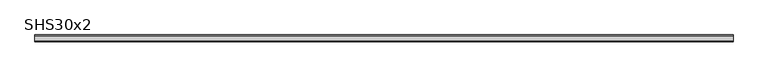
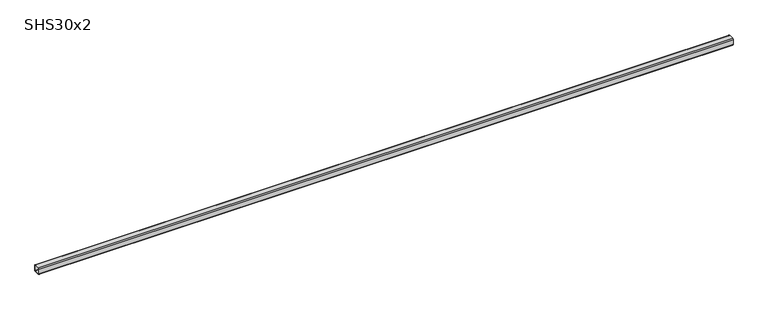
"""IFC4 building model written with IfcOpenShell, lengths in millimetres: beam geometry, SHS30x2."""

from ifc_helpers import new_model, si_unit, point, frame, frame_2d, origin, place, context, project, spatial, polyline, circle_curve, trimmed, segment, composite_curve, outline, extrude, source, transform, mapped, element, save


def shs30x2_30f5b065(model_context):
    return source(origin(), model_context, "Body", "SweptSolid", [
        extrude(outline(composite_curve([segment(polyline([(15.0, 11.0), (15.0, -11.0)]), True, "CONTINUOUS"), segment(trimmed(circle_curve(frame_2d((11.0, -11.0)), 4.0), [point((15.0, -11.0))], [point((11.0, -15.0))], False, "CARTESIAN"), True, "CONTINUOUS"), segment(polyline([(11.0, -15.0), (-11.0, -15.0)]), True, "CONTINUOUS"), segment(trimmed(circle_curve(frame_2d((-11.0, -11.0)), 4.0), [point((-11.0, -15.0))], [point((-15.0, -11.0))], False, "CARTESIAN"), True, "CONTINUOUS"), segment(polyline([(-15.0, -11.0), (-15.0, 11.0)]), True, "CONTINUOUS"), segment(trimmed(circle_curve(frame_2d((-11.0, 11.0)), 4.0), [point((-15.0, 11.0))], [point((-11.0, 15.0))], False, "CARTESIAN"), True, "CONTINUOUS"), segment(polyline([(-11.0, 15.0), (11.0, 15.0)]), True, "CONTINUOUS"), segment(trimmed(circle_curve(frame_2d((11.0, 11.0)), 4.0), [point((11.0, 15.0))], [point((15.0, 11.0))], False, "CARTESIAN"), True, "CONTINUOUS")], self_intersect=False), holes=[composite_curve([segment(trimmed(circle_curve(frame_2d((-11.0, 11.0)), 2.0), [point((-11.0, 13.0))], [point((-13.0, 11.0))], True, "CARTESIAN"), True, "CONTINUOUS"), segment(polyline([(-13.0, 11.0), (-13.0, -11.0)]), True, "CONTINUOUS"), segment(trimmed(circle_curve(frame_2d((-11.0, -11.0)), 2.0), [point((-13.0, -11.0))], [point((-11.0, -13.0))], True, "CARTESIAN"), True, "CONTINUOUS"), segment(polyline([(-11.0, -13.0), (11.0, -13.0)]), True, "CONTINUOUS"), segment(trimmed(circle_curve(frame_2d((11.0, -11.0)), 2.0), [point((11.0, -13.0))], [point((13.0, -11.0))], True, "CARTESIAN"), True, "CONTINUOUS"), segment(polyline([(13.0, -11.0), (13.0, 11.0)]), True, "CONTINUOUS"), segment(trimmed(circle_curve(frame_2d((11.0, 11.0)), 2.0), [point((13.0, 11.0))], [point((11.0, 13.0))], True, "CARTESIAN"), True, "CONTINUOUS"), segment(polyline([(11.0, 13.0), (-11.0, 13.0)]), True, "CONTINUOUS")], self_intersect=False)]), frame((-1493.5, 0.0, 0.0), z_axis=(1.0, 0.0, 0.0), x_axis=(0.0, 1.0, 0.0)), (0.0, 0.0, 1.0), 3021.0),
    ])


if __name__ == "__main__":
    model = new_model("IFC4")
    model_context = context("Model", 3, world=origin())
    ifc_project = project(units=[si_unit("LENGTHUNIT", "METRE", prefix="MILLI")], contexts=[model_context])
    site = spatial("IfcSite", under=ifc_project)
    building = spatial("IfcBuilding", under=site)
    placement = place(None, origin())
    shs30x2_shape = shs30x2_30f5b065(model_context)
    element("IfcBeam", 1, ObjectType="SHS30x2", at=placement, inside=building, context=model_context, shape_type="MappedRepresentation", body=[
        mapped(shs30x2_shape, transform((0.0, 0.0, 0.0), x_axis=(1.0, 0.0, 0.0), y_axis=(0.0, 1.0, 0.0), z_axis=(0.0, 0.0, 1.0))),
    ])
    save(model, "model.ifc")
